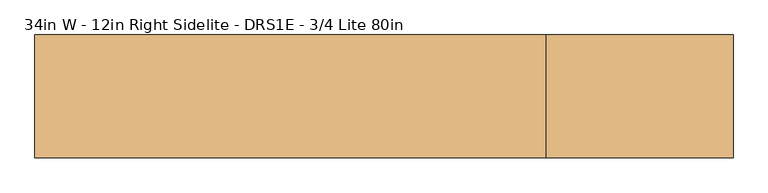
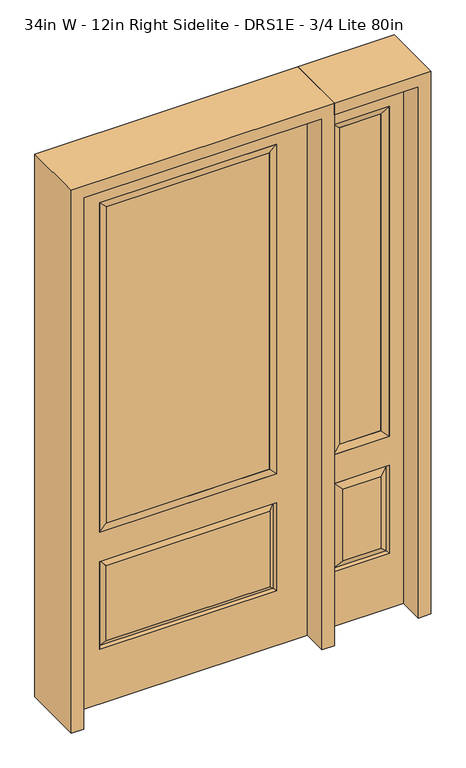
"""IFC4 building model written with IfcOpenShell, lengths in millimetres: door geometry, 34in W - 12in Right Sidelite - DRS1E - 3/4 Lite 80in."""

from ifc_helpers import new_model, si_unit, frame, origin, place, context, project, spatial, polyline, outline, extrude, faceted_brep, source, transform, mapped, element, save


def door_34in_w_12in_right_sidelite_drs1e_3_4_lite_80in_88b004ab(model_context):
    return source(origin(), model_context, "Body", "SolidModel", [
        faceted_brep([(476.25, -22.225, 0.0), (781.05, -22.225, 0.0), (781.05, -22.225, 2032.0), (476.25, -22.225, 2032.0), (728.98, -22.225, 1919.224), (728.98, -22.225, 657.098), (528.32, -22.225, 657.098), (528.32, -22.225, 1919.224), (728.98, -22.225, 209.55), (528.32, -22.225, 209.55), (528.32, -22.225, 546.1), (728.98, -22.225, 546.1), (560.0351001, -22.225, 241.2651001), (697.2648999, -22.225, 241.2651001), (697.2648999, -22.225, 514.3848999), (560.0351001, -22.225, 514.3848999), (476.25, 22.225, 0.0), (476.25, 22.225, 2032.0), (781.05, 22.225, 2032.0), (781.05, 22.225, 0.0), (728.98, 22.225, 1919.224), (528.32, 22.225, 1919.224), (528.32, 22.225, 657.098), (728.98, 22.225, 657.098), (528.32, 22.225, 209.55), (728.98, 22.225, 209.55), (728.98, 22.225, 546.1), (528.32, 22.225, 546.1), (697.2648999, 22.225, 241.2651001), (560.0351001, 22.225, 241.2651001), (560.0351001, 22.225, 514.3848999), (697.2648999, 22.225, 514.3848999), (721.8711499, 12.7912373, 216.6588501), (535.4288501, 12.7912373, 216.6588501), (535.4288501, 12.7912373, 538.9911499), (721.8711499, 12.7912373, 538.9911499), (535.4288501, -12.7912373, 216.6588501), (721.8711499, -12.7912373, 216.6588501), (535.4288501, -12.7912373, 538.9911499), (721.8711499, -12.7912373, 538.9911499)], [[[0, 1, 2, 3], [4, 5, 6, 7], [8, 9, 10, 11]], [[12, 13, 14, 15]], [[16, 17, 18, 19], [20, 21, 22, 23], [24, 25, 26, 27]], [[28, 29, 30, 31]], [[1, 0, 16, 19]], [[2, 1, 19, 18]], [[3, 2, 18, 17]], [[0, 3, 17, 16]], [[5, 4, 20, 23]], [[6, 5, 23, 22]], [[7, 6, 22, 21]], [[4, 7, 21, 20]], [[32, 33, 29, 28]], [[33, 32, 25, 24]], [[29, 33, 34, 30]], [[33, 24, 27, 34]], [[30, 34, 35, 31]], [[34, 27, 26, 35]], [[32, 28, 31, 35]], [[25, 32, 35, 26]], [[12, 36, 37, 13]], [[37, 36, 9, 8]], [[36, 12, 15, 38]], [[9, 36, 38, 10]], [[38, 15, 14, 39]], [[10, 38, 39, 11]], [[13, 37, 39, 14]], [[37, 8, 11, 39]]]),
        faceted_brep([(528.32, 22.225, 1919.224), (528.32, -22.225, 1919.224), (728.98, -22.225, 1919.224), (728.98, 22.225, 1919.224), (553.72, 12.7, 1893.824), (703.58, 12.7, 1893.824), (553.72, -12.7, 1893.824), (703.58, -12.7, 1893.824), (728.98, -22.225, 657.098), (728.98, 22.225, 657.098), (703.58, 12.7, 682.498), (703.58, -12.7, 682.498), (528.32, -22.225, 657.098), (528.32, 22.225, 657.098), (553.72, 12.7, 682.498), (553.72, -12.7, 682.498)], [[[0, 1, 2, 3]], [[4, 0, 3, 5]], [[6, 4, 5, 7]], [[1, 6, 7, 2]], [[3, 2, 8, 9]], [[5, 3, 9, 10]], [[7, 5, 10, 11]], [[2, 7, 11, 8]], [[9, 8, 12, 13]], [[10, 9, 13, 14]], [[11, 10, 14, 15]], [[8, 11, 15, 12]], [[13, 12, 1, 0]], [[14, 13, 0, 4]], [[15, 14, 4, 6]], [[12, 15, 6, 1]]]),
        extrude(outline(polyline([(703.58, -12.7), (553.72, -12.7), (553.72, 12.7), (703.58, 12.7), (703.58, -12.7)])), frame((0.0, 0.0, 682.498), z_axis=(0.0, 0.0, 1.0), x_axis=(1.0, 0.0, 0.0)), (0.0, 0.0, 1.0), 1211.326),
        faceted_brep([(-313.5661499, -12.7912373, 216.6588501), (313.5661499, -12.7912373, 216.6588501), (296.06875, -22.225, 234.15625), (-296.06875, -22.225, 234.15625), (-320.675, -22.225, 209.55), (320.675, -22.225, 209.55), (-313.5661499, -12.7912373, 538.9911499), (-320.675, -22.225, 546.1), (296.06875, -22.225, 521.49375), (-296.06875, -22.225, 521.49375), (431.8, -22.225, 2032.0), (-431.8, -22.225, 2032.0), (-431.8, -22.225, 0.0), (431.8, -22.225, 0.0), (320.675, -22.225, 546.1), (320.675, -22.225, 1917.7), (320.675, -22.225, 657.098), (-320.675, -22.225, 657.098), (-320.675, -22.225, 1917.7), (313.5661499, -12.7912373, 538.9911499), (-431.8, 22.225, 2032.0), (-431.8, 22.225, 0.0), (431.8, 22.225, 0.0), (431.8, 22.225, 2032.0), (320.675, 22.225, 1917.7), (320.675, 22.225, 657.098), (-320.675, 22.225, 657.098), (-320.675, 22.225, 1917.7), (-320.675, 22.225, 209.55), (320.675, 22.225, 209.55), (320.675, 22.225, 546.1), (-320.675, 22.225, 546.1), (296.06875, 22.225, 234.15625), (-296.06875, 22.225, 234.15625), (-296.06875, 22.225, 521.49375), (296.06875, 22.225, 521.49375), (-313.5661499, 12.7912373, 216.6588501), (313.5661499, 12.7912373, 216.6588501), (313.5661499, 12.7912373, 538.9911499), (-313.5661499, 12.7912373, 538.9911499)], [[[0, 1, 2, 3]], [[1, 0, 4, 5]], [[4, 0, 6, 7]], [[3, 2, 8, 9]], [[10, 11, 12, 13], [5, 4, 7, 14], [15, 16, 17, 18]], [[1, 5, 14, 19]], [[2, 1, 19, 8]], [[0, 3, 9, 6]], [[7, 6, 19, 14]], [[6, 9, 8, 19]], [[12, 11, 20, 21]], [[13, 12, 21, 22]], [[10, 13, 22, 23]], [[16, 15, 24, 25]], [[17, 16, 25, 26]], [[18, 17, 26, 27]], [[23, 22, 21, 20], [28, 29, 30, 31], [24, 27, 26, 25]], [[32, 33, 34, 35]], [[28, 36, 37, 29]], [[29, 37, 38, 30]], [[39, 31, 30, 38]], [[36, 28, 31, 39]], [[37, 36, 33, 32]], [[33, 36, 39, 34]], [[34, 39, 38, 35]], [[37, 32, 35, 38]], [[11, 10, 23, 20]], [[15, 18, 27, 24]]]),
        faceted_brep([(-320.675, -22.225, 1917.7), (-320.675, 22.225, 1917.7), (-320.675, 22.225, 657.098), (-320.675, -22.225, 657.098), (320.675, 22.225, 657.098), (320.675, -22.225, 657.098), (-295.275, 5.08, 682.498), (295.275, 5.08, 682.498), (320.675, 22.225, 1917.7), (320.675, -22.225, 1917.7), (-295.275, -20.32, 682.498), (295.275, -20.32, 682.498), (-295.275, -20.32, 1892.3), (295.275, -20.32, 1892.3), (-295.275, 5.08, 1892.3), (295.275, 5.08, 1892.3)], [[[0, 1, 2, 3]], [[3, 2, 4, 5]], [[2, 6, 7, 4]], [[5, 4, 8, 9]], [[10, 3, 5, 11]], [[12, 0, 3, 10]], [[11, 5, 9, 13]], [[6, 10, 11, 7]], [[14, 12, 10, 6]], [[7, 11, 13, 15]], [[1, 14, 6, 2]], [[4, 7, 15, 8]], [[9, 8, 1, 0]], [[13, 9, 0, 12]], [[15, 13, 12, 14]], [[8, 15, 14, 1]]]),
        extrude(outline(polyline([(295.275, -20.32), (-295.275, -20.32), (-295.275, 5.08), (295.275, 5.08), (295.275, -20.32)])), frame((0.0, 0.0, 682.498), z_axis=(0.0, 0.0, 1.0), x_axis=(1.0, 0.0, 0.0)), (0.0, 0.0, 1.0), 1209.802),
        extrude(outline(polyline([(2076.45, -476.25), (0.0, -476.25), (0.0, -431.8), (2032.0, -431.8), (2032.0, 431.8), (0.0, 431.8), (0.0, 476.25), (2076.45, 476.25), (2076.45, -476.25)])), frame((0.0, -114.3, 0.0), z_axis=(0.0, 1.0, 0.0), x_axis=(0.0, 0.0, 1.0)), (0.0, 0.0, 1.0), 228.6),
        extrude(outline(polyline([(0.0, 781.05), (0.0, 825.5), (2076.45, 825.5), (2076.45, 476.25), (2032.0, 476.25), (2032.0, 781.05), (0.0, 781.05)])), frame((0.0, -114.3, 0.0), z_axis=(0.0, 1.0, 0.0), x_axis=(0.0, 0.0, 1.0)), (0.0, 0.0, 1.0), 228.6),
    ])


if __name__ == "__main__":
    model = new_model("IFC4")
    model_context = context("Model", 3, world=origin())
    ifc_project = project(units=[si_unit("LENGTHUNIT", "METRE", prefix="MILLI")], contexts=[model_context])
    site = spatial("IfcSite", under=ifc_project)
    building = spatial("IfcBuilding", under=site)
    placement = place(None, origin())
    door_34in_w_12in_right_sidelite_drs1e_3_4_lite_80in_shape = door_34in_w_12in_right_sidelite_drs1e_3_4_lite_80in_88b004ab(model_context)
    element("IfcDoor", 1, ObjectType="34in W - 12in Right Sidelite - DRS1E - 3/4 Lite 80in", at=placement, inside=building, context=model_context, shape_type="MappedRepresentation", body=[
        mapped(door_34in_w_12in_right_sidelite_drs1e_3_4_lite_80in_shape, transform((0.0, 0.0, 0.0), x_axis=(1.0, 0.0, 0.0), y_axis=(0.0, 1.0, 0.0), z_axis=(0.0, 0.0, 1.0))),
    ])
    save(model, "model.ifc")
